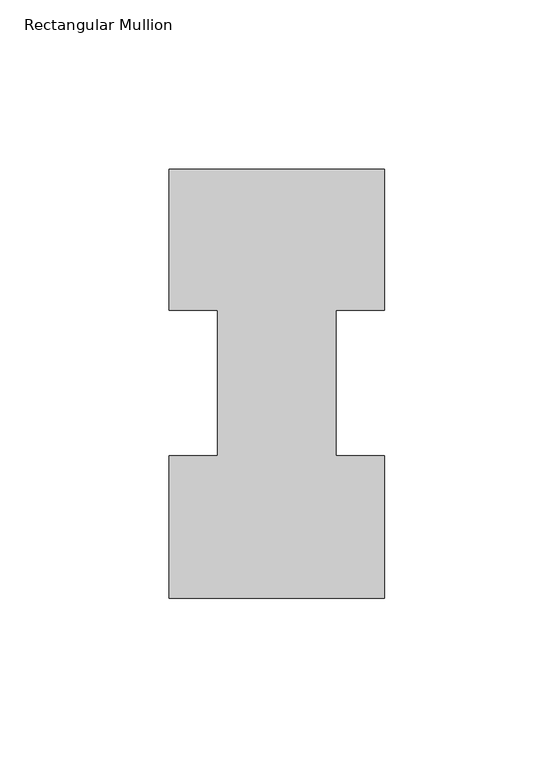
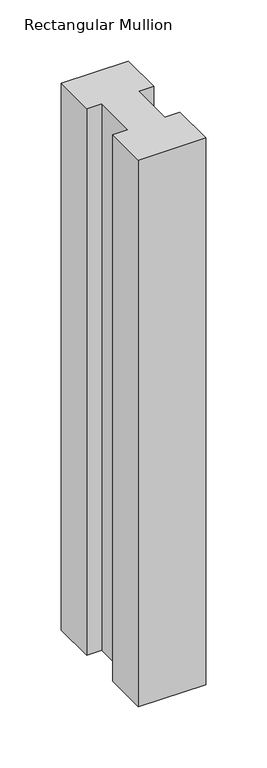
"""IFC4 building model written with IfcOpenShell, lengths in millimetres: member geometry, Rectangular Mullion."""

import ifcopenshell
import ifcopenshell.guid

model = None  # the IFC model being written
_history = None  # IfcOwnerHistory: only IFC2X3 demands one
_inside = {}  # id of a spatial element -> (the spatial element, [elements in it])
_under = {}  # id of a project, library or spatial element -> (it, [spatial elements below it])
_declared = {}  # id of a project -> (the project, [libraries it declares])
_typed = {}  # id of a type object -> (the type object, [elements of that type])
_made_of = {}  # id of a material, layer set ... -> (it, [elements and type objects made of it])


def new_model(schema):
    """Start an empty IFC model of exactly this schema.

    Asked for "IFC4X3", IfcOpenShell would pick the latest addendum, in which some entities
    have other attributes; the version numbers below select the first issue.
    IFC2X3 requires an IfcOwnerHistory on every rooted entity: one is made here for all.
    """
    global model, _history
    if schema == "IFC4X3":
        model = ifcopenshell.file(schema_version=(4, 3, 0, 0))
    else:
        model = ifcopenshell.file(schema=schema)
    _inside.clear()
    _under.clear()
    _declared.clear()
    _typed.clear()
    _made_of.clear()
    _history = None
    if model.schema == "IFC2X3":
        org = make("IfcOrganization", Name="unknown")
        user = make(
            "IfcPersonAndOrganization",
            ThePerson=make("IfcPerson", FamilyName="unknown"),
            TheOrganization=org,
        )
        app = make(
            "IfcApplication",
            ApplicationDeveloper=org,
            Version="unknown",
            ApplicationFullName="unknown",
            ApplicationIdentifier="unknown",
        )
        _history = make(
            "IfcOwnerHistory",
            OwningUser=user,
            OwningApplication=app,
            ChangeAction="ADDED",
            CreationDate=0,
        )
    return model


def make(cls, **values):
    """One entity of the class cls with the attributes given. An attribute that is None is left unset."""
    return model.create_entity(
        cls, **{name: value for name, value in values.items() if value is not None}
    )


def rooted(cls, **values):
    """An entity with a GlobalId (a new one), such as an element, a storey or a relation."""
    return make(cls, GlobalId=ifcopenshell.guid.new(), OwnerHistory=_history, **values)


def si_unit(unit_type, name, prefix=None):
    """IfcSIUnit, for example si_unit("LENGTHUNIT", "METRE", prefix="MILLI")."""
    return make("IfcSIUnit", UnitType=unit_type, Prefix=prefix, Name=name)


def assignment(units):
    """IfcUnitAssignment: the units of a project."""
    return None if units is None else make("IfcUnitAssignment", Units=units)


def point(xyz):
    """IfcCartesianPoint."""
    return None if xyz is None else make("IfcCartesianPoint", Coordinates=xyz)


def direction(xyz):
    """IfcDirection."""
    return None if xyz is None else make("IfcDirection", DirectionRatios=xyz)


def frame(location, z_axis=None, x_axis=None):
    """IfcAxis2Placement3D, a coordinate frame: its origin and axes. An axis left out is left unset."""
    return make(
        "IfcAxis2Placement3D",
        Location=point(location),
        Axis=direction(z_axis),
        RefDirection=direction(x_axis),
    )


def origin():
    """The frame at (0, 0, 0) with its axes left unset."""
    return frame((0.0, 0.0, 0.0))


def place(relative_to, where):
    """IfcLocalPlacement: puts the frame where relative to a parent placement (None: the world)."""
    return make(
        "IfcLocalPlacement", PlacementRelTo=relative_to, RelativePlacement=where
    )


def context(
    kind, dimensions, precision=None, world=None, true_north=None, identifier=None
):
    """IfcGeometricRepresentationContext, for example the 3D "Model" context."""
    return make(
        "IfcGeometricRepresentationContext",
        ContextIdentifier=identifier,
        ContextType=kind,
        CoordinateSpaceDimension=dimensions,
        Precision=precision,
        WorldCoordinateSystem=world,
        TrueNorth=true_north,
    )


def project(units=None, contexts=None):
    """IfcProject with its units and contexts."""
    return rooted(
        "IfcProject",
        Name="project",
        RepresentationContexts=contexts,
        UnitsInContext=assignment(units),
    )


def spatial(cls, under=None, at=None, **own):
    """A site, building, storey or space (cls), placed at a placement, below another one or the project."""
    s = rooted(cls, ObjectPlacement=at, **own)
    if under is not None:
        _under.setdefault(under.id(), (under, []))[1].append(s)
    return s


def polyline(points):
    """IfcPolyline through the points."""
    return make("IfcPolyline", Points=[point(p) for p in points])


def outline(outer, holes=None, kind="AREA"):
    """IfcArbitraryClosedProfileDef: a profile drawn as a closed curve; with holes, ...WithVoids."""
    if holes is None:
        return make("IfcArbitraryClosedProfileDef", ProfileType=kind, OuterCurve=outer)
    return make(
        "IfcArbitraryProfileDefWithVoids",
        ProfileType=kind,
        OuterCurve=outer,
        InnerCurves=holes,
    )


def extrude(swept, where, along, depth):
    """IfcExtrudedAreaSolid: the profile swept, set in the frame where, extruded along a direction by depth."""
    return make(
        "IfcExtrudedAreaSolid",
        SweptArea=swept,
        Position=where,
        ExtrudedDirection=direction(along),
        Depth=depth,
    )


def shape(context_of_items, identifier, shape_type, items):
    """IfcShapeRepresentation: the items that make up one representation, for example the "Body"."""
    return make(
        "IfcShapeRepresentation",
        ContextOfItems=context_of_items,
        RepresentationIdentifier=identifier,
        RepresentationType=shape_type,
        Items=items,
    )


def source(mapping_origin, context_of_items, identifier, shape_type, items):
    """IfcRepresentationMap: a shape defined once, which mapped items show again and again."""
    return make(
        "IfcRepresentationMap",
        MappingOrigin=mapping_origin,
        MappedRepresentation=shape(context_of_items, identifier, shape_type, items),
    )


def transform(
    local_origin,
    x_axis=None,
    y_axis=None,
    z_axis=None,
    scale=None,
    scale2=None,
    scale3=None,
    uniform=True,
):
    """IfcCartesianTransformationOperator3D, or its non-uniform kind. x_axis, y_axis, z_axis: its Axis1, 2, 3."""
    if uniform:
        return make(
            "IfcCartesianTransformationOperator3D",
            Axis1=direction(x_axis),
            Axis2=direction(y_axis),
            LocalOrigin=point(local_origin),
            Scale=scale,
            Axis3=direction(z_axis),
        )
    return make(
        "IfcCartesianTransformationOperator3DnonUniform",
        Axis1=direction(x_axis),
        Axis2=direction(y_axis),
        LocalOrigin=point(local_origin),
        Scale=scale,
        Axis3=direction(z_axis),
        Scale2=scale2,
        Scale3=scale3,
    )


def mapped(mapping_source, mapping_target):
    """IfcMappedItem: shows the shape of a source again, moved by a transform."""
    return make(
        "IfcMappedItem", MappingSource=mapping_source, MappingTarget=mapping_target
    )


def made_of(thing, what):
    """Note that an element or type object is made of a material, layer set ...; save() writes the relation."""
    if what is not None:
        _made_of.setdefault(what.id(), (what, []))[1].append(thing)
    return thing


def element(
    cls,
    number,
    at=None,
    inside=None,
    cuts=None,
    type_object=None,
    material=None,
    context=None,
    identifier="Body",
    shape_type=None,
    held_by="IfcProductDefinitionShape",
    body=None,
    shapes=None,
    **own,
):
    """One element of the class cls, such as IfcWall. Its Tag is "e" and its number.

    at: its placement. inside: the storey or other place that contains it. cuts: it is an
    opening in that element (IfcRelVoidsElement). A single representation is given by context,
    identifier, shape_type and body (its items); several are given by shapes. held_by: the class
    of the entity that holds the representations. save() writes the other relations.
    """
    e = rooted(cls, Tag="e%d" % number, ObjectPlacement=at, **own)
    if body is not None:
        shapes = [shape(context, identifier, shape_type, body)]
    if shapes is not None:
        e.Representation = make(held_by, Representations=shapes)
    if inside is not None:
        _inside.setdefault(inside.id(), (inside, []))[1].append(e)
    if cuts is not None:
        rooted(
            "IfcRelVoidsElement", RelatingBuildingElement=cuts, RelatedOpeningElement=e
        )
    if type_object is not None:
        _typed.setdefault(type_object.id(), (type_object, []))[1].append(e)
    return made_of(e, material)


def aggregate(whole, parts):
    """IfcRelAggregates: a whole, such as a stair, and the parts it consists of."""
    return rooted("IfcRelAggregates", RelatingObject=whole, RelatedObjects=parts)


def save(model, path):
    """Write the relations noted so far, then the file.

    IfcRelAggregates (storeys below a building ...), IfcRelContainedInSpatialStructure (elements
    in a storey), IfcRelDefinesByType, IfcRelAssociatesMaterial and IfcRelDeclares: one each for
    every whole, place, type object, material and project.
    """
    for whole, parts in _under.values():
        aggregate(whole, parts)
    for where, things in _inside.values():
        rooted(
            "IfcRelContainedInSpatialStructure",
            RelatedElements=things,
            RelatingStructure=where,
        )
    for kind, things in _typed.values():
        rooted("IfcRelDefinesByType", RelatedObjects=things, RelatingType=kind)
    for what, things in _made_of.values():
        rooted("IfcRelAssociatesMaterial", RelatedObjects=things, RelatingMaterial=what)
    for by, libraries in _declared.values():
        rooted("IfcRelDeclares", RelatingContext=by, RelatedDefinitions=libraries)
    model.write(path)


def rectangular_mullion_ef81e71f(model_context):
    return source(origin(), model_context, "Body", "SweptSolid", [
        extrude(outline(polyline([(0.0, 133.3825437), (0.0, 91.7773437), (-14.2748, 91.7773437), (-14.2748, 48.9275437), (0.0, 48.9275437), (0.0, 6.8905437), (-63.5, 6.8905437), (-63.5, 48.9275437), (-49.2125, 48.9275437), (-49.2125, 91.7773437), (-63.5, 91.7773437), (-63.5, 133.3825437), (0.0, 133.3825437)])), frame((0.0, 0.0, -546.1), z_axis=(0.0, 0.0, 1.0), x_axis=(1.0, 0.0, 0.0)), (0.0, 0.0, 1.0), 546.1),
    ])


if __name__ == "__main__":
    model = new_model("IFC4")
    model_context = context("Model", 3, world=origin())
    ifc_project = project(units=[si_unit("LENGTHUNIT", "METRE", prefix="MILLI")], contexts=[model_context])
    site = spatial("IfcSite", under=ifc_project)
    building = spatial("IfcBuilding", under=site)
    placement = place(None, origin())
    rectangular_mullion_shape = rectangular_mullion_ef81e71f(model_context)
    element("IfcMember", 1, ObjectType="Rectangular Mullion", at=placement, inside=building, context=model_context, shape_type="MappedRepresentation", body=[
        mapped(rectangular_mullion_shape, transform((0.0, 0.0, 0.0), x_axis=(1.0, 0.0, 0.0), y_axis=(0.0, 1.0, 0.0), z_axis=(0.0, 0.0, 1.0))),
    ])
    save(model, "model.ifc")
